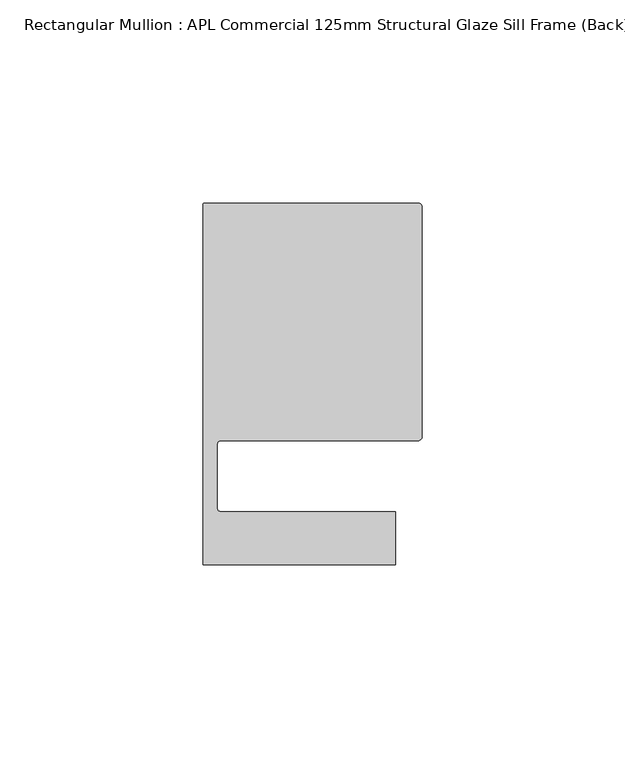
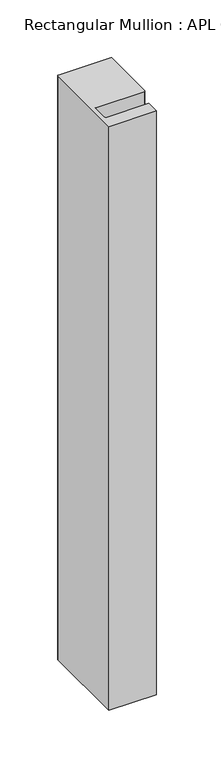
"""IFC4 building model written with IfcOpenShell, lengths in millimetres: member geometry, Rectangular Mullion : APL Commercial 125mm Structural Glaze Sill Frame (Back)."""

import ifcopenshell
import ifcopenshell.guid

model = None  # the IFC model being written
_history = None  # IfcOwnerHistory: only IFC2X3 demands one
_inside = {}  # id of a spatial element -> (the spatial element, [elements in it])
_under = {}  # id of a project, library or spatial element -> (it, [spatial elements below it])
_declared = {}  # id of a project -> (the project, [libraries it declares])
_typed = {}  # id of a type object -> (the type object, [elements of that type])
_made_of = {}  # id of a material, layer set ... -> (it, [elements and type objects made of it])


def new_model(schema):
    """Start an empty IFC model of exactly this schema.

    Asked for "IFC4X3", IfcOpenShell would pick the latest addendum, in which some entities
    have other attributes; the version numbers below select the first issue.
    IFC2X3 requires an IfcOwnerHistory on every rooted entity: one is made here for all.
    """
    global model, _history
    if schema == "IFC4X3":
        model = ifcopenshell.file(schema_version=(4, 3, 0, 0))
    else:
        model = ifcopenshell.file(schema=schema)
    _inside.clear()
    _under.clear()
    _declared.clear()
    _typed.clear()
    _made_of.clear()
    _history = None
    if model.schema == "IFC2X3":
        org = make("IfcOrganization", Name="unknown")
        user = make(
            "IfcPersonAndOrganization",
            ThePerson=make("IfcPerson", FamilyName="unknown"),
            TheOrganization=org,
        )
        app = make(
            "IfcApplication",
            ApplicationDeveloper=org,
            Version="unknown",
            ApplicationFullName="unknown",
            ApplicationIdentifier="unknown",
        )
        _history = make(
            "IfcOwnerHistory",
            OwningUser=user,
            OwningApplication=app,
            ChangeAction="ADDED",
            CreationDate=0,
        )
    return model


def make(cls, **values):
    """One entity of the class cls with the attributes given. An attribute that is None is left unset."""
    return model.create_entity(
        cls, **{name: value for name, value in values.items() if value is not None}
    )


def rooted(cls, **values):
    """An entity with a GlobalId (a new one), such as an element, a storey or a relation."""
    return make(cls, GlobalId=ifcopenshell.guid.new(), OwnerHistory=_history, **values)


def si_unit(unit_type, name, prefix=None):
    """IfcSIUnit, for example si_unit("LENGTHUNIT", "METRE", prefix="MILLI")."""
    return make("IfcSIUnit", UnitType=unit_type, Prefix=prefix, Name=name)


def assignment(units):
    """IfcUnitAssignment: the units of a project."""
    return None if units is None else make("IfcUnitAssignment", Units=units)


def point(xyz):
    """IfcCartesianPoint."""
    return None if xyz is None else make("IfcCartesianPoint", Coordinates=xyz)


def direction(xyz):
    """IfcDirection."""
    return None if xyz is None else make("IfcDirection", DirectionRatios=xyz)


def frame(location, z_axis=None, x_axis=None):
    """IfcAxis2Placement3D, a coordinate frame: its origin and axes. An axis left out is left unset."""
    return make(
        "IfcAxis2Placement3D",
        Location=point(location),
        Axis=direction(z_axis),
        RefDirection=direction(x_axis),
    )


def origin():
    """The frame at (0, 0, 0) with its axes left unset."""
    return frame((0.0, 0.0, 0.0))


def place(relative_to, where):
    """IfcLocalPlacement: puts the frame where relative to a parent placement (None: the world)."""
    return make(
        "IfcLocalPlacement", PlacementRelTo=relative_to, RelativePlacement=where
    )


def context(
    kind, dimensions, precision=None, world=None, true_north=None, identifier=None
):
    """IfcGeometricRepresentationContext, for example the 3D "Model" context."""
    return make(
        "IfcGeometricRepresentationContext",
        ContextIdentifier=identifier,
        ContextType=kind,
        CoordinateSpaceDimension=dimensions,
        Precision=precision,
        WorldCoordinateSystem=world,
        TrueNorth=true_north,
    )


def project(units=None, contexts=None):
    """IfcProject with its units and contexts."""
    return rooted(
        "IfcProject",
        Name="project",
        RepresentationContexts=contexts,
        UnitsInContext=assignment(units),
    )


def spatial(cls, under=None, at=None, **own):
    """A site, building, storey or space (cls), placed at a placement, below another one or the project."""
    s = rooted(cls, ObjectPlacement=at, **own)
    if under is not None:
        _under.setdefault(under.id(), (under, []))[1].append(s)
    return s


def polyline(points):
    """IfcPolyline through the points."""
    return make("IfcPolyline", Points=[point(p) for p in points])


def circle_curve(where, radius):
    """IfcCircle in the frame where."""
    return make("IfcCircle", Position=where, Radius=radius)


def shape(context_of_items, identifier, shape_type, items):
    """IfcShapeRepresentation: the items that make up one representation, for example the "Body"."""
    return make(
        "IfcShapeRepresentation",
        ContextOfItems=context_of_items,
        RepresentationIdentifier=identifier,
        RepresentationType=shape_type,
        Items=items,
    )


def source(mapping_origin, context_of_items, identifier, shape_type, items):
    """IfcRepresentationMap: a shape defined once, which mapped items show again and again."""
    return make(
        "IfcRepresentationMap",
        MappingOrigin=mapping_origin,
        MappedRepresentation=shape(context_of_items, identifier, shape_type, items),
    )


def transform(
    local_origin,
    x_axis=None,
    y_axis=None,
    z_axis=None,
    scale=None,
    scale2=None,
    scale3=None,
    uniform=True,
):
    """IfcCartesianTransformationOperator3D, or its non-uniform kind. x_axis, y_axis, z_axis: its Axis1, 2, 3."""
    if uniform:
        return make(
            "IfcCartesianTransformationOperator3D",
            Axis1=direction(x_axis),
            Axis2=direction(y_axis),
            LocalOrigin=point(local_origin),
            Scale=scale,
            Axis3=direction(z_axis),
        )
    return make(
        "IfcCartesianTransformationOperator3DnonUniform",
        Axis1=direction(x_axis),
        Axis2=direction(y_axis),
        LocalOrigin=point(local_origin),
        Scale=scale,
        Axis3=direction(z_axis),
        Scale2=scale2,
        Scale3=scale3,
    )


def mapped(mapping_source, mapping_target):
    """IfcMappedItem: shows the shape of a source again, moved by a transform."""
    return make(
        "IfcMappedItem", MappingSource=mapping_source, MappingTarget=mapping_target
    )


def made_of(thing, what):
    """Note that an element or type object is made of a material, layer set ...; save() writes the relation."""
    if what is not None:
        _made_of.setdefault(what.id(), (what, []))[1].append(thing)
    return thing


def element(
    cls,
    number,
    at=None,
    inside=None,
    cuts=None,
    type_object=None,
    material=None,
    context=None,
    identifier="Body",
    shape_type=None,
    held_by="IfcProductDefinitionShape",
    body=None,
    shapes=None,
    **own,
):
    """One element of the class cls, such as IfcWall. Its Tag is "e" and its number.

    at: its placement. inside: the storey or other place that contains it. cuts: it is an
    opening in that element (IfcRelVoidsElement). A single representation is given by context,
    identifier, shape_type and body (its items); several are given by shapes. held_by: the class
    of the entity that holds the representations. save() writes the other relations.
    """
    e = rooted(cls, Tag="e%d" % number, ObjectPlacement=at, **own)
    if body is not None:
        shapes = [shape(context, identifier, shape_type, body)]
    if shapes is not None:
        e.Representation = make(held_by, Representations=shapes)
    if inside is not None:
        _inside.setdefault(inside.id(), (inside, []))[1].append(e)
    if cuts is not None:
        rooted(
            "IfcRelVoidsElement", RelatingBuildingElement=cuts, RelatedOpeningElement=e
        )
    if type_object is not None:
        _typed.setdefault(type_object.id(), (type_object, []))[1].append(e)
    return made_of(e, material)


def aggregate(whole, parts):
    """IfcRelAggregates: a whole, such as a stair, and the parts it consists of."""
    return rooted("IfcRelAggregates", RelatingObject=whole, RelatedObjects=parts)


def save(model, path):
    """Write the relations noted so far, then the file.

    IfcRelAggregates (storeys below a building ...), IfcRelContainedInSpatialStructure (elements
    in a storey), IfcRelDefinesByType, IfcRelAssociatesMaterial and IfcRelDeclares: one each for
    every whole, place, type object, material and project.
    """
    for whole, parts in _under.values():
        aggregate(whole, parts)
    for where, things in _inside.values():
        rooted(
            "IfcRelContainedInSpatialStructure",
            RelatedElements=things,
            RelatingStructure=where,
        )
    for kind, things in _typed.values():
        rooted("IfcRelDefinesByType", RelatedObjects=things, RelatingType=kind)
    for what, things in _made_of.values():
        rooted("IfcRelAssociatesMaterial", RelatedObjects=things, RelatingMaterial=what)
    for by, libraries in _declared.values():
        rooted("IfcRelDeclares", RelatingContext=by, RelatedDefinitions=libraries)
    model.write(path)


def plane_surface(at):
    """IfcPlane: the flat surface through the origin of the frame at, square to its z axis."""
    return make("IfcPlane", Position=at)


def cylinder_surface(at, radius):
    """IfcCylindricalSurface: all points at the distance radius from the z axis of the frame at."""
    return make("IfcCylindricalSurface", Position=at, Radius=radius)


def revolved_surface(curve, axis_point, axis_direction):
    """IfcSurfaceOfRevolution: the curve turned about the line through axis_point along axis_direction."""
    return make(
        "IfcSurfaceOfRevolution",
        SweptCurve=make("IfcArbitraryOpenProfileDef", ProfileType="CURVE", Curve=curve),
        AxisPosition=make("IfcAxis1Placement", Location=point(axis_point), Axis=direction(axis_direction)),
    )


def advanced_brep(points, edges, surfaces, faces):
    """IfcAdvancedBrep: a solid bounded by faces that lie on surfaces and meet in shared edges.

    An edge is (start, end): straight between two places in points (the first is 0);
    or (start, end, curve); or (start, end, curve, False) where it runs against its curve.
    A face is (place in surfaces, loops), or (place, loops, False) where it looks against
    its surface's normal. A loop lists edges by number (the first is 1), with a minus sign
    where the edge is run from its end to its start. The first loop is the outer one.
    """
    corners = [point(p) for p in points]
    vertices = [make("IfcVertexPoint", VertexGeometry=c) for c in corners]
    made = []
    for start, end, *more in edges:
        made.append(
            make(
                "IfcEdgeCurve",
                EdgeStart=vertices[start],
                EdgeEnd=vertices[end],
                EdgeGeometry=more[0] if more else make("IfcPolyline", Points=[corners[start], corners[end]]),
                SameSense=more[1] if len(more) > 1 else True,
            )
        )
    hull = []
    for where, loops, *sense in faces:
        bounds = []
        for j, loop in enumerate(loops):
            ring = [make("IfcOrientedEdge", EdgeElement=made[abs(k) - 1], Orientation=k > 0) for k in loop]
            bounds.append(
                make(
                    "IfcFaceOuterBound" if j == 0 else "IfcFaceBound",
                    Bound=make("IfcEdgeLoop", EdgeList=ring),
                    Orientation=True,
                )
            )
        hull.append(make("IfcAdvancedFace", Bounds=bounds, FaceSurface=surfaces[where], SameSense=sense[0] if sense else True))
    return make("IfcAdvancedBrep", Outer=make("IfcClosedShell", CfsFaces=hull))


def rectangular_mullion_apl_commercial_125mm_structural_glaze_c2ee2445(model_context):
    return source(origin(), model_context, "Body", "AdvancedBrep", [
        advanced_brep(
        [(-53.5000029, 104.0, 0.0), (-54.0000029, 103.5, 0.0), (-54.0000029, 15.0004332, 0.0), (-6.5000029, 15.0004332, 0.0), (-6.5000029, 28.0004332, 0.0), (-49.5000029, 28.0004332, 0.0), (-50.5000029, 29.0004332, 0.0), (-50.5000029, 44.5010268, 0.0), (-49.5000004, 45.5010268, 0.0), (-1.0, 45.5010268, 0.0), (0.0, 46.5010268, 0.0), (0.0, 103.0, 0.0), (-1.0000025, 104.0, 0.0), (-53.5000029, 104.0, -617.9999782), (-1.0000025, 104.0, -617.9999782), (-2.5e-06, 103.0, -617.9999782), (0.0, 46.5010268, -617.9999782), (-1.0, 45.5010268, -617.9999782), (-49.5000004, 45.5010268, -617.9999782), (-50.5000004, 44.5010268, -617.9999782), (-50.5000029, 29.0004332, -617.9999782), (-49.5000029, 28.0004332, -617.9999782), (-6.5000029, 28.0004332, -617.9999782), (-6.5000029, 15.0004332, -617.9999782), (-54.0000029, 15.0004332, -617.9999782), (-54.0000029, 103.5, -617.9999782)],
        [
            (0, 1, circle_curve(frame((-53.5000029, 103.5, 0.0), z_axis=(0.0, 0.0, 1.0), x_axis=(0.0, 1.0, 0.0)), 0.5)),
            (1, 2),
            (2, 3),
            (3, 4),
            (4, 5),
            (5, 6, circle_curve(frame((-49.5000029, 29.0004332, 0.0), z_axis=(0.0, 0.0, -1.0), x_axis=(0.0, -1.0, 0.0)), 1.0)),
            (6, 7),
            (7, 8, circle_curve(frame((-49.5000004, 44.5010268, 0.0), z_axis=(0.0, 0.0, -1.0), x_axis=(-0.9999999999998819, 4.863123717036027e-07, 0.0)), 1.0)),
            (8, 9),
            (9, 10, circle_curve(frame((-1.0, 46.5010268, 0.0), z_axis=(0.0, 0.0, 1.0), x_axis=(0.0, -1.0, 0.0)), 1.0)),
            (10, 11),
            (11, 12, circle_curve(frame((-1.0000025, 103.0, 0.0), z_axis=(0.0, 0.0, 1.0), x_axis=(0.9999999999996143, 8.78371761103865e-07, 0.0)), 1.0)),
            (12, 0),
            (13, 14),
            (14, 15, circle_curve(frame((-1.0000025, 103.0, -617.9999782), z_axis=(0.0, 0.0, -1.0), x_axis=(0.9999999999996143, 8.78371761103865e-07, 0.0)), 1.0)),
            (15, 16),
            (16, 17, circle_curve(frame((-1.0, 46.5010268, -617.9999782), z_axis=(0.0, 0.0, -1.0), x_axis=(0.0, -1.0, 0.0)), 1.0)),
            (17, 18),
            (18, 19, circle_curve(frame((-49.5000004, 44.5010268, -617.9999782), z_axis=(0.0, 0.0, 1.0), x_axis=(-0.9999999999998819, 4.863123717036027e-07, 0.0)), 1.0)),
            (19, 20),
            (20, 21, circle_curve(frame((-49.5000029, 29.0004332, -617.9999782), z_axis=(0.0, 0.0, 1.0), x_axis=(0.0, -1.0, 0.0)), 1.0)),
            (21, 22),
            (22, 23),
            (23, 24),
            (24, 25),
            (25, 13, circle_curve(frame((-53.5000029, 103.5, -617.9999782), z_axis=(0.0, 0.0, -1.0), x_axis=(0.0, 1.0, 0.0)), 0.5)),
            (0, 13),
            (25, 1),
            (24, 2),
            (23, 3),
            (22, 4),
            (21, 5),
            (20, 6),
            (19, 7),
            (18, 8),
            (17, 9),
            (16, 10),
            (15, 11),
            (14, 12),
        ],
        [
            plane_surface(frame((0.0, -116.986179, 0.0), z_axis=(0.0, 0.0, 1.0), x_axis=(-1.0, 0.0, 0.0))),
            plane_surface(frame((0.0, -116.986179, -617.9999782), z_axis=(0.0, 0.0, -1.0), x_axis=(-1.0, 0.0, 0.0))),
            cylinder_surface(frame((-53.5000029, 103.5, 0.0), z_axis=(0.0, 0.0, 1.0), x_axis=(0.0, 1.0, 0.0)), 0.5),
            plane_surface(frame((-54.0000029, 103.5, 0.0), z_axis=(-1.0, 0.0, 0.0), x_axis=(0.0, 0.0, -1.0))),
            plane_surface(frame((-54.0000029, 15.0004332, 0.0), z_axis=(0.0, -1.0, 0.0), x_axis=(0.0, 0.0, -1.0))),
            plane_surface(frame((-6.5000029, 15.0004332, 0.0), z_axis=(1.0, 0.0, 0.0), x_axis=(0.0, 0.0, -1.0))),
            plane_surface(frame((-6.5000029, 28.0004332, 0.0), z_axis=(0.0, 1.0, 0.0), x_axis=(0.0, 0.0, -1.0))),
            revolved_surface(polyline([(-49.5000029, 28.0004332, -617.9999782), (-49.5000029, 28.0004332, 0.0)]), (-49.5000029, 29.0004332, 0.0), (0.0, 0.0, -1.0)),
            plane_surface(frame((-50.5000029, 29.0004332, 0.0), z_axis=(1.0, 0.0, 0.0), x_axis=(0.0, 0.0, -1.0))),
            revolved_surface(polyline([(-50.50000039999988, 44.50102728631237, -617.9999782000002), (-50.50000039999988, 44.50102728631237, 0.0)]), (-49.5000004, 44.5010268, 0.0), (0.0, 0.0, -1.0000000000000002)),
            plane_surface(frame((-49.5000004, 45.5010268, 0.0), z_axis=(0.0, -1.0, 0.0), x_axis=(0.0, 0.0, -1.0))),
            cylinder_surface(frame((-1.0, 46.5010268, 0.0), z_axis=(0.0, 0.0, 1.0), x_axis=(0.0, -1.0, 0.0)), 1.0),
            plane_surface(frame((0.0, 46.5010268, 0.0), z_axis=(1.0, 0.0, 0.0), x_axis=(0.0, 0.0, -1.0))),
            cylinder_surface(frame((-1.0000025, 103.0, 0.0), z_axis=(0.0, 0.0, 1.0000000000000002), x_axis=(0.9999999999996143, 8.78371761103865e-07, 0.0)), 1.0),
            plane_surface(frame((-1.0000025, 104.0, 0.0), z_axis=(0.0, 1.0, 0.0), x_axis=(0.0, 0.0, -1.0))),
        ],
        [
            (0, [[1, 2, 3, 4, 5, 6, 7, 8, 9, 10, 11, 12, 13]]),
            (1, [[14, 15, 16, 17, 18, 19, 20, 21, 22, 23, 24, 25, 26]]),
            (2, [[-1, 27, -26, 28]]),
            (3, [[-2, -28, -25, 29]]),
            (4, [[-3, -29, -24, 30]]),
            (5, [[-4, -30, -23, 31]]),
            (6, [[-5, -31, -22, 32]]),
            (7, [[-6, -32, -21, 33]]),
            (8, [[-7, -33, -20, 34]]),
            (9, [[-8, -34, -19, 35]]),
            (10, [[-9, -35, -18, 36]]),
            (11, [[-10, -36, -17, 37]]),
            (12, [[-11, -37, -16, 38]]),
            (13, [[-12, -38, -15, 39]]),
            (14, [[-13, -39, -14, -27]]),
        ],
    ),
    ])


if __name__ == "__main__":
    model = new_model("IFC4")
    model_context = context("Model", 3, world=origin())
    ifc_project = project(units=[si_unit("LENGTHUNIT", "METRE", prefix="MILLI")], contexts=[model_context])
    site = spatial("IfcSite", under=ifc_project)
    building = spatial("IfcBuilding", under=site)
    placement = place(None, origin())
    rectangular_mullion_apl_commercial_125mm_structural_glaze_shape = rectangular_mullion_apl_commercial_125mm_structural_glaze_c2ee2445(model_context)
    element("IfcMember", 1, ObjectType="Rectangular Mullion : APL Commercial 125mm Structural Glaze Sill Frame (Back)", at=placement, inside=building, context=model_context, shape_type="MappedRepresentation", body=[
        mapped(rectangular_mullion_apl_commercial_125mm_structural_glaze_shape, transform((0.0, 0.0, 0.0), x_axis=(1.0, 0.0, 0.0), y_axis=(0.0, 1.0, 0.0), z_axis=(0.0, 0.0, 1.0))),
    ])
    save(model, "model.ifc")
